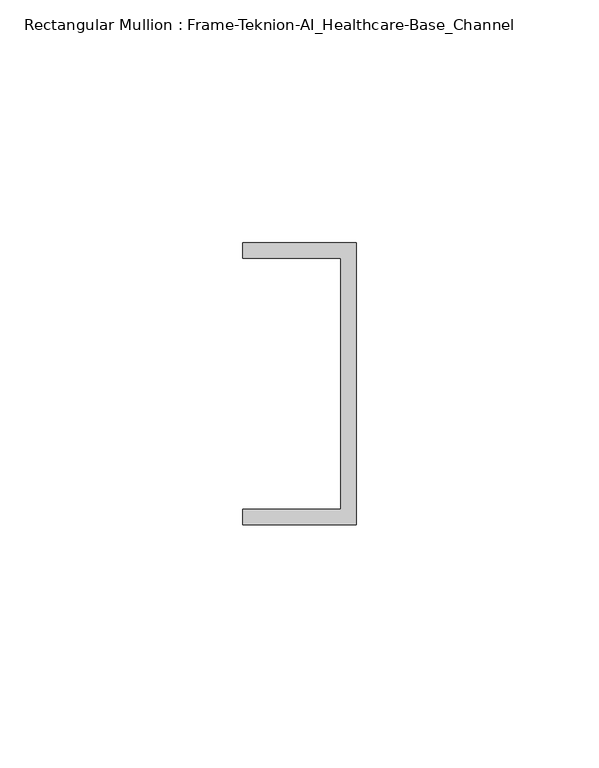
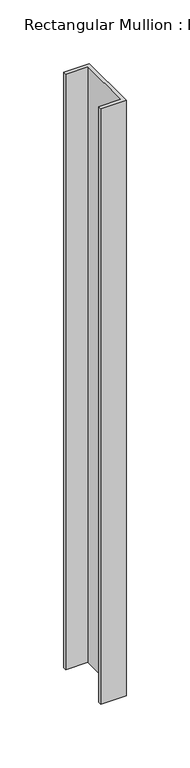
"""IFC4 building model written with IfcOpenShell, lengths in millimetres: member geometry, Rectangular Mullion : Frame-Teknion-AI_Healthcare-Base_Channel."""

from ifc_helpers import new_model, si_unit, frame, origin, place, context, project, spatial, polyline, outline, extrude, source, transform, mapped, element, save


def rectangular_mullion_frame_teknion_ai_healthcare_base_channel_164fdfa9(model_context):
    return source(origin(), model_context, "Body", "SweptSolid", [
        extrude(outline(polyline([(0.0, -29.0214844), (-23.3164063, -29.0214844), (-23.3164063, -25.8464844), (-3.175, -25.8464844), (-3.175, 25.8464844), (-23.3164063, 25.8464844), (-23.3164063, 29.0214844), (0.0, 29.0214844), (0.0, -29.0214844)])), frame((0.0, 0.0, -571.5), z_axis=(0.0, 0.0, 1.0), x_axis=(1.0, 0.0, 0.0)), (0.0, 0.0, 1.0), 571.5),
    ])


if __name__ == "__main__":
    model = new_model("IFC4")
    model_context = context("Model", 3, world=origin())
    ifc_project = project(units=[si_unit("LENGTHUNIT", "METRE", prefix="MILLI")], contexts=[model_context])
    site = spatial("IfcSite", under=ifc_project)
    building = spatial("IfcBuilding", under=site)
    placement = place(None, origin())
    rectangular_mullion_frame_teknion_ai_healthcare_base_channel_shape = rectangular_mullion_frame_teknion_ai_healthcare_base_channel_164fdfa9(model_context)
    element("IfcMember", 1, ObjectType="Rectangular Mullion : Frame-Teknion-AI_Healthcare-Base_Channel", at=placement, inside=building, context=model_context, shape_type="MappedRepresentation", body=[
        mapped(rectangular_mullion_frame_teknion_ai_healthcare_base_channel_shape, transform((0.0, 0.0, 0.0), x_axis=(1.0, 0.0, 0.0), y_axis=(0.0, 1.0, 0.0), z_axis=(0.0, 0.0, 1.0))),
    ])
    save(model, "model.ifc")
